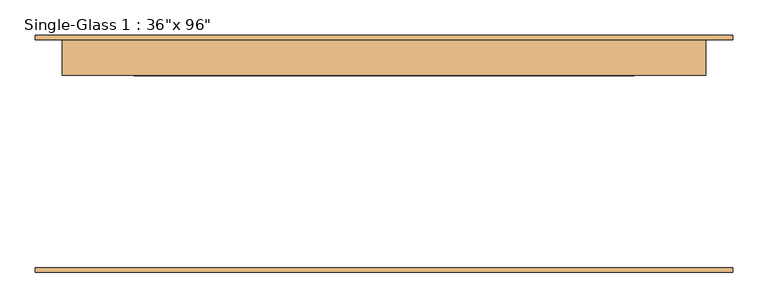
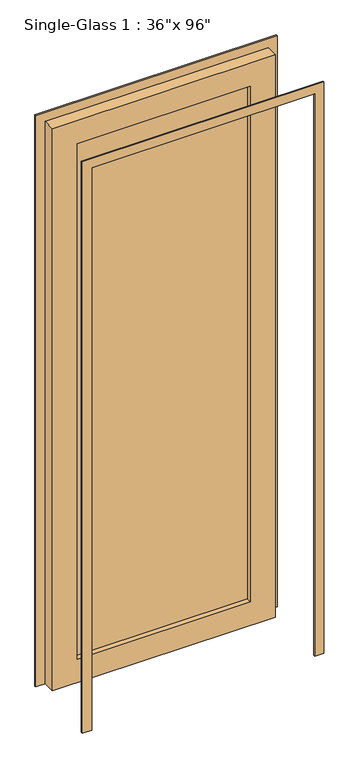
"""IFC4 building model written with IfcOpenShell, lengths in millimetres: door geometry."""

from ifc_helpers import new_model, si_unit, frame, origin, place, context, project, spatial, polyline, outline, extrude, source, transform, mapped, element, save


def door_620dbe43(model_context):
    return source(origin(), model_context, "Body", "SweptSolid", [
        extrude(outline(polyline([(2438.4, 457.2), (0.0, 457.2), (0.0, 495.3), (2476.5, 495.3), (2476.5, -495.3), (0.0, -495.3), (0.0, -457.2), (2438.4, -457.2), (2438.4, 457.2)])), frame((0.0, -168.275, 0.0), z_axis=(0.0, 1.0, 0.0), x_axis=(0.0, 0.0, 1.0)), (0.0, 0.0, 1.0), 6.35),
        extrude(outline(polyline([(2438.4, 457.2), (0.0, 457.2), (0.0, 495.3), (2476.5, 495.3), (2476.5, -495.3), (0.0, -495.3), (0.0, -457.2), (2438.4, -457.2), (2438.4, 457.2)])), frame((0.0, 161.925, 0.0), z_axis=(0.0, 1.0, 0.0), x_axis=(0.0, 0.0, 1.0)), (0.0, 0.0, 1.0), 6.35),
        extrude(outline(polyline([(355.6, 133.35), (-355.6, 133.35), (-355.6, 139.7), (355.6, 139.7), (355.6, 133.35)])), frame((0.0, 0.0, 101.6), z_axis=(0.0, 0.0, 1.0), x_axis=(1.0, 0.0, 0.0)), (0.0, 0.0, 1.0), 2235.2),
        extrude(outline(polyline([(2438.4, 457.2), (2438.4, -457.2), (0.0, -457.2), (0.0, 457.2), (2438.4, 457.2)]), holes=[polyline([(2336.8, -355.6), (2336.8, 355.6), (101.6, 355.6), (101.6, -355.6), (2336.8, -355.6)])]), frame((0.0, 111.125, 0.0), z_axis=(0.0, 1.0, 0.0), x_axis=(0.0, 0.0, 1.0)), (0.0, 0.0, 1.0), 50.8),
    ])


if __name__ == "__main__":
    model = new_model("IFC4")
    model_context = context("Model", 3, world=origin())
    ifc_project = project(units=[si_unit("LENGTHUNIT", "METRE", prefix="MILLI")], contexts=[model_context])
    site = spatial("IfcSite", under=ifc_project)
    building = spatial("IfcBuilding", under=site)
    placement = place(None, origin())
    door_shape = door_620dbe43(model_context)
    element("IfcDoor", 1, ObjectType="Single-Glass 1 : 36\"x 96\"", at=placement, inside=building, context=model_context, shape_type="MappedRepresentation", body=[
        mapped(door_shape, transform((0.0, 0.0, 0.0), x_axis=(1.0, 0.0, 0.0), y_axis=(0.0, 1.0, 0.0), z_axis=(0.0, 0.0, 1.0))),
    ])
    save(model, "model.ifc")
